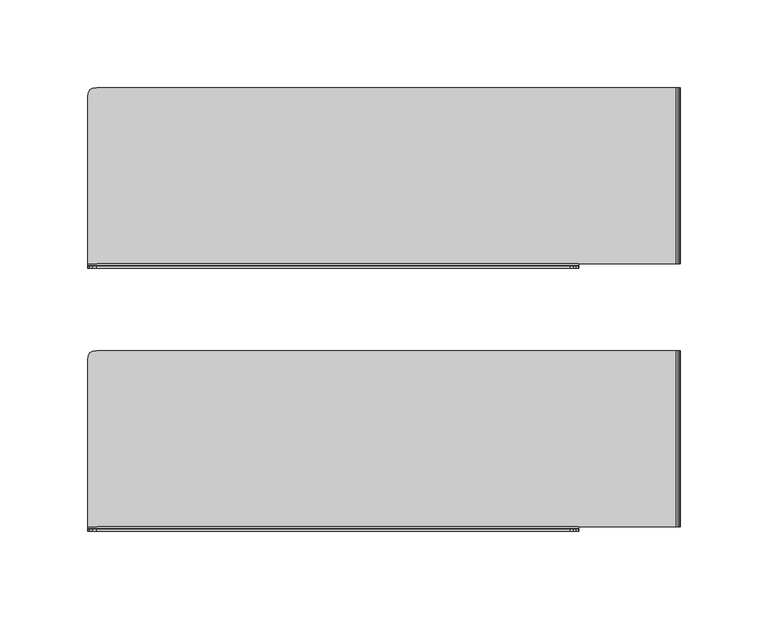
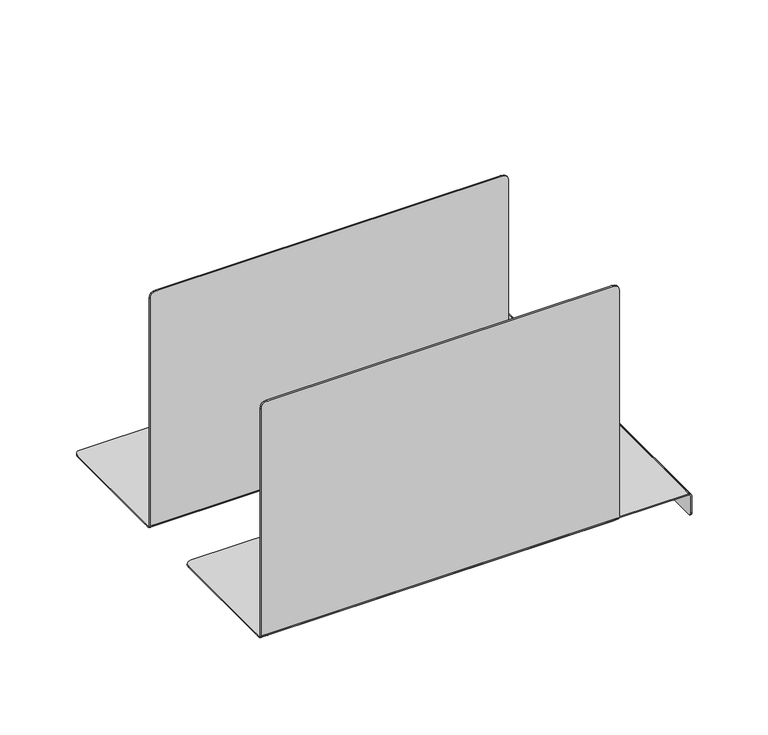
"""IFC4 building model written with IfcOpenShell, lengths in millimetres: furniture geometry."""

from ifc_helpers import new_model, si_unit, origin, place, context, project, spatial, triangles, source, transform, mapped, element, save


def furniture_d3641321(model_context):
    return source(origin(), model_context, "Body", "Tessellation", [
        triangles([(334.8707539, -218.9999988, 711.7688656), (334.86881, -218.9999988, 706.636816), (65.1285701, -218.9999988, 706.636816), (65.1285701, -218.9999988, 711.7688656), (59.9977108, -218.9999988, 706.636816), (59.9977108, -218.9999988, 519.2627017), (59.9977108, -219.9990222, 519.2688787), (59.9977108, -219.9990222, 706.636816), (65.1285701, -219.9990222, 711.7688656), (334.8707539, -219.9990222, 711.7688656), (65.1285701, -219.9990222, 519.2688787), (65.1285701, -219.9990222, 706.636816), (59.9977108, -217.6005847, 516.7688859), (65.1285701, -217.6005847, 516.7688859), (65.1285701, -218.7373035, 517.0971907), (59.9977108, -218.7373035, 517.0971907), (340.001618, -217.6005847, 516.7688859), (340.001618, -217.604491, 517.7697514), (340.001618, -218.307616, 518.0045481), (340.001618, -218.7373035, 517.0971907), (334.86881, -217.6005847, 516.7688859), (334.86881, -214.6367173, 516.7688859), (340.001618, -214.6367173, 516.7688859), (65.1285701, -217.604491, 517.7697332), (65.1285701, -214.6367173, 517.7697332), (59.9977108, -214.6367173, 517.7697332), (59.9977108, -217.604491, 517.7697332), (59.9977108, -214.6367173, 516.7688859), (395.4977037, -117.0986308, 517.7696787), (395.4977037, -117.0986308, 516.7688314), (340.001618, -117.0986308, 516.7688496), (340.001618, -117.0986308, 517.7697151), (395.4977037, -122.2255889, 516.7688314), (340.001618, -122.2255889, 516.7688496), (395.4977037, -217.6005847, 516.7688859), (395.4977037, -217.6005847, 517.7697514), (395.4977037, -214.6367173, 517.7697514), (340.001618, -214.6367173, 517.7697514), (397.9976965, -217.6005847, 501.6496416), (397.9976965, -214.6367173, 501.6665919), (397.9976965, -214.6367173, 515.2621283), (397.9976965, -217.6005847, 515.2621283), (397.0953533, -117.0986308, 501.6369062), (397.0953533, -122.2255889, 501.6412301), (397.0953533, -122.2255889, 515.2758629), (397.0953533, -117.0986308, 515.2758629), (62.8844295, -218.9999988, 711.4481258), (62.8844295, -219.9990222, 711.4481258), (340.001618, -218.9999988, 706.636816), (339.6813069, -218.9999988, 708.8820857), (339.6813069, -219.9990222, 708.8820857), (340.001618, -219.9990222, 706.636816), (61.2809139, -218.9999988, 710.4858455), (61.2809139, -219.9990222, 710.4858455), (60.318023, -218.9999988, 708.8820857), (60.318023, -219.9990222, 708.8820857), (338.7184115, -218.9999988, 710.4858455), (338.7184115, -219.9990222, 710.4858455), (337.1148938, -218.9999988, 711.4481258), (337.1148938, -219.9990222, 711.4481258), (65.1285701, -218.9999988, 519.2627017), (334.86881, -219.9990222, 519.2688787), (334.86881, -219.9990222, 706.636816), (65.1285701, -117.0986308, 517.7697151), (334.86881, -117.0986308, 517.7697151), (334.86881, -117.0986308, 516.7688496), (65.1285701, -117.0986308, 516.7688496), (334.86881, -218.7373035, 517.0971907), (65.1285701, -122.2255889, 516.7688496), (61.2809139, -118.3808563, 516.7688496), (62.8844295, -117.419923, 516.7688496), (65.1285701, -122.2255889, 517.7697151), (334.86881, -122.2255889, 517.7697151), (334.86881, -218.9999988, 519.2627017), (334.86881, -122.2255889, 516.7688496), (340.001618, -219.9990222, 519.2688787), (340.001618, -122.2255889, 517.7697151), (340.001618, -218.9999988, 519.2627017), (62.8844295, -117.419923, 517.7697151), (61.2809139, -118.3808563, 517.7696969), (60.318023, -119.982421, 516.7688496), (60.318023, -119.982421, 517.7696969), (59.9977108, -122.2255889, 516.7688496), (59.9977108, -122.2255889, 517.7696969), (395.4977037, -212.3740222, 516.7688859), (340.001618, -212.3740222, 516.7688859), (395.4977037, -122.2255889, 517.7696969), (397.9976965, -122.2255889, 501.6343446), (397.9976965, -117.0986308, 501.6334907), (397.9976965, -117.0986308, 515.262092), (397.9976965, -122.2255889, 515.262092), (397.0953533, -212.3740222, 501.6734774), (397.0953533, -212.3740222, 515.2759174), (65.1285701, -212.3740222, 516.7688859), (59.9977108, -212.3740222, 516.7688859), (65.1285701, -212.3740222, 517.7697332), (334.86881, -212.3740222, 517.7697514), (334.86881, -212.3740222, 516.7688859), (340.001618, -212.3740222, 517.7697514), (59.9977108, -212.3740222, 517.7697332), (395.4977037, -212.3740222, 517.7697514), (397.9976965, -212.3740222, 501.6665919), (397.9976965, -212.3740222, 515.2621283), (395.4977037, -214.6367173, 516.7688859), (397.0953533, -214.6367173, 501.6734774), (397.0953533, -214.6367173, 515.2759174), (65.1285701, -214.6367173, 516.7688859), (334.86881, -214.6367173, 517.7697514), (65.1285701, -219.6503894, 517.9948467), (59.9977108, -219.6503894, 517.9948467), (334.86881, -219.6503894, 517.9948467), (340.001618, -219.6503894, 517.9948467), (334.86881, -217.604491, 517.7697514), (334.86881, -218.307616, 518.0045481), (59.9977108, -218.307616, 518.00453), (65.1285701, -218.307616, 518.00453), (334.86881, -218.7646473, 518.4617513), (340.001618, -218.7646473, 518.4617695), (59.9977108, -218.7646473, 518.4617513), (65.1285701, -218.7646473, 518.4617513), (396.8375565, -122.2255889, 516.0340107), (396.8375565, -117.0986308, 516.0340107), (396.8375565, -212.3740222, 516.0340834), (396.8375565, -214.6367173, 516.0340834), (396.2848286, -122.2255889, 516.5421556), (396.2848286, -117.0986308, 516.5421374), (396.2848286, -212.3740222, 516.5422101), (396.2848286, -214.6367173, 516.5422101), (397.593397, -214.6367173, 516.500661), (397.593397, -217.6005847, 516.500661), (397.593397, -117.0986308, 516.5005883), (397.593397, -122.2255889, 516.5006065), (397.593397, -212.3740222, 516.500661), (396.7613984, -214.6367173, 517.3360933), (396.7613984, -217.6005847, 517.3360933), (396.7613984, -117.0986308, 517.3360206), (396.7613984, -122.2255889, 517.3360388), (396.7613984, -212.3740222, 517.3360933), (396.2848286, -217.6005847, 516.5422101), (396.8375565, -217.6005847, 516.0340834), (397.0953533, -217.6005847, 515.2759174), (397.0953533, -217.6005847, 501.6530934), (397.0953533, -122.2255889, 498.6688279), (397.0953533, -120.0625033, 498.6688097), (397.9976965, -120.0625033, 498.6688279), (397.9976965, -122.2255889, 498.6688279), (397.0953533, -212.3740222, 498.6689006), (397.9976965, -212.3740222, 498.6689006), (397.9976965, -214.6367173, 498.6689006), (397.0953533, -214.6367173, 498.6689006), (397.9976965, -117.2841754, 500.3378939), (397.0953533, -117.2841754, 500.3378757), (397.0953533, -217.4150378, 500.3379848), (397.9976965, -217.4150378, 500.3379848), (397.9976965, -117.8398465, 499.4106249), (397.0953533, -117.8398465, 499.4106249), (397.9976965, -118.7665977, 498.8542635), (397.0953533, -118.7665977, 498.8542635), (397.0953533, -216.8593739, 499.4107158), (397.9976965, -216.8593739, 499.4107158), (397.0953533, -215.9335927, 498.8543544), (397.9976965, -215.9335927, 498.8543544)], [[1, 2, 3], [1, 3, 4], [5, 6, 7], [5, 7, 8], [1, 4, 9], [1, 9, 10], [7, 11, 12], [7, 12, 8], [13, 14, 15], [13, 15, 16], [17, 18, 19], [17, 19, 20], [21, 22, 23], [21, 23, 17], [24, 25, 26], [24, 26, 27], [27, 26, 28], [27, 28, 13], [29, 30, 31], [29, 31, 32], [30, 33, 34], [30, 34, 31], [35, 36, 18], [35, 18, 17], [36, 37, 38], [36, 38, 18], [39, 40, 41], [39, 41, 42], [43, 44, 45], [43, 45, 46], [4, 47, 48], [4, 48, 9], [49, 50, 51], [49, 51, 52], [47, 53, 48], [53, 54, 48], [53, 55, 54], [55, 56, 54], [55, 5, 56], [5, 8, 56], [50, 57, 58], [50, 58, 51], [57, 59, 60], [57, 60, 58], [59, 1, 10], [59, 10, 60], [3, 61, 6], [3, 6, 5], [12, 54, 56], [12, 56, 8], [11, 62, 63], [11, 63, 12], [64, 65, 66], [64, 66, 67], [14, 21, 68], [14, 68, 15], [69, 70, 71], [69, 71, 67], [72, 73, 65], [72, 65, 64], [3, 2, 74], [3, 74, 61], [75, 69, 67], [75, 67, 66], [62, 76, 52], [62, 52, 63], [65, 32, 31], [65, 31, 66], [21, 17, 20], [21, 20, 68], [73, 77, 32], [73, 32, 65], [2, 49, 78], [2, 78, 74], [1, 59, 57], [1, 57, 2], [63, 58, 60], [63, 60, 10], [3, 53, 47], [3, 47, 4], [12, 63, 10], [12, 10, 9], [12, 9, 48], [12, 48, 54], [3, 5, 55], [3, 55, 53], [57, 50, 49], [57, 49, 2], [63, 52, 51], [63, 51, 58], [67, 71, 79], [67, 79, 64], [71, 70, 80], [71, 80, 79], [70, 81, 82], [70, 82, 80], [81, 83, 84], [81, 84, 82], [75, 66, 31], [75, 31, 34], [72, 80, 82], [72, 82, 84], [33, 85, 86], [33, 86, 34], [87, 29, 32], [87, 32, 77], [88, 89, 90], [88, 90, 91], [44, 92, 93], [44, 93, 45], [69, 94, 95], [69, 95, 83], [72, 96, 97], [72, 97, 73], [75, 98, 94], [75, 94, 69], [73, 97, 99], [73, 99, 77], [69, 83, 81], [69, 81, 70], [72, 64, 79], [72, 79, 80], [98, 75, 34], [98, 34, 86], [96, 72, 84], [96, 84, 100], [100, 84, 83], [100, 83, 95], [101, 87, 77], [101, 77, 99], [102, 88, 91], [102, 91, 103], [85, 104, 23], [85, 23, 86], [92, 105, 106], [92, 106, 93], [94, 107, 28], [94, 28, 95], [96, 25, 108], [96, 108, 97], [98, 22, 107], [98, 107, 94], [97, 108, 38], [97, 38, 99], [15, 109, 110], [15, 110, 16], [109, 11, 7], [109, 7, 110], [68, 111, 109], [68, 109, 15], [111, 62, 11], [111, 11, 109], [20, 112, 111], [20, 111, 68], [112, 76, 62], [112, 62, 111], [113, 114, 18], [114, 19, 18], [27, 115, 116], [27, 116, 24], [24, 116, 114], [24, 114, 113], [114, 117, 19], [117, 118, 19], [117, 74, 118], [74, 78, 118], [115, 119, 120], [115, 120, 116], [119, 6, 61], [119, 61, 120], [116, 120, 117], [116, 117, 114], [120, 61, 74], [120, 74, 117], [119, 115, 16], [119, 16, 110], [118, 78, 112], [78, 76, 112], [19, 118, 112], [19, 112, 20], [115, 27, 13], [115, 13, 16], [6, 119, 110], [6, 110, 7], [78, 49, 52], [78, 52, 76], [45, 121, 46], [121, 122, 46], [93, 123, 121], [93, 121, 45], [106, 124, 93], [124, 123, 93], [121, 125, 122], [125, 126, 122], [125, 33, 126], [33, 30, 126], [123, 127, 125], [123, 125, 121], [127, 85, 33], [127, 33, 125], [124, 128, 123], [128, 127, 123], [128, 104, 127], [104, 85, 127], [41, 129, 130], [41, 130, 42], [90, 131, 132], [90, 132, 91], [91, 132, 133], [91, 133, 103], [129, 134, 135], [129, 135, 130], [134, 37, 36], [134, 36, 135], [131, 136, 137], [131, 137, 132], [136, 29, 87], [136, 87, 137], [132, 137, 138], [132, 138, 133], [137, 87, 101], [137, 101, 138], [136, 131, 122], [136, 122, 126], [139, 140, 130], [139, 130, 135], [29, 136, 126], [29, 126, 30], [35, 139, 135], [35, 135, 36], [131, 90, 122], [90, 46, 122], [140, 141, 42], [140, 42, 130], [90, 89, 46], [89, 43, 46], [141, 142, 39], [141, 39, 42], [143, 144, 145], [143, 145, 146], [147, 143, 146], [147, 146, 148], [149, 150, 148], [150, 147, 148], [89, 151, 43], [151, 152, 43], [142, 153, 154], [142, 154, 39], [151, 155, 152], [155, 156, 152], [155, 157, 156], [157, 158, 156], [157, 145, 144], [157, 144, 158], [153, 159, 160], [153, 160, 154], [159, 161, 162], [159, 162, 160], [161, 150, 149], [161, 149, 162], [22, 98, 86], [22, 86, 23], [25, 96, 100], [25, 100, 26], [26, 100, 95], [26, 95, 28], [37, 101, 38], [101, 99, 38], [40, 102, 41], [102, 103, 41], [104, 35, 17], [104, 17, 23], [105, 142, 141], [105, 141, 106], [107, 14, 13], [107, 13, 28], [25, 24, 113], [25, 113, 108], [22, 21, 14], [22, 14, 107], [108, 113, 18], [108, 18, 38], [106, 141, 140], [106, 140, 124], [124, 140, 139], [124, 139, 128], [128, 139, 35], [128, 35, 104], [41, 103, 129], [103, 133, 129], [129, 133, 134], [133, 138, 134], [134, 138, 37], [138, 101, 37], [39, 154, 160], [39, 160, 40], [43, 152, 156], [43, 156, 44], [88, 155, 151], [88, 151, 89], [44, 143, 147], [44, 147, 92], [102, 148, 146], [102, 146, 88], [92, 147, 150], [92, 150, 105], [40, 149, 148], [40, 148, 102], [105, 159, 153], [105, 153, 142], [160, 162, 149], [160, 149, 40], [105, 150, 161], [105, 161, 159], [156, 158, 144], [156, 144, 44], [88, 145, 157], [88, 157, 155], [144, 143, 44], [88, 146, 145]]),
        triangles([(334.8707539, -69.0000003, 711.7688656), (334.86881, -69.0000003, 706.636816), (65.1285701, -69.0000003, 706.636816), (65.1285701, -69.0000003, 711.7688656), (59.9977108, -69.0000003, 706.636816), (59.9977108, -69.0000003, 519.2627017), (59.9977108, -69.9990237, 519.2688787), (59.9977108, -69.9990237, 706.636816), (65.1285701, -69.9990237, 711.7688656), (334.8707539, -69.9990237, 711.7688656), (65.1285701, -69.9990237, 519.2688787), (65.1285701, -69.9990237, 706.636816), (59.9977108, -67.6005862, 516.7688859), (65.1285701, -67.6005862, 516.7688859), (65.1285701, -68.737305, 517.0971907), (59.9977108, -68.737305, 517.0971907), (340.001618, -67.6005862, 516.7688859), (340.001618, -67.6044925, 517.7697514), (340.001618, -68.3076175, 518.0045481), (340.001618, -68.737305, 517.0971907), (334.86881, -67.6005862, 516.7688859), (334.86881, -64.6367188, 516.7688859), (340.001618, -64.6367188, 516.7688859), (65.1285701, -67.6044925, 517.7697332), (65.1285701, -64.6367188, 517.7697332), (59.9977108, -64.6367188, 517.7697332), (59.9977108, -67.6044925, 517.7697332), (59.9977108, -64.6367188, 516.7688859), (395.4977037, 32.9013677, 517.7696787), (395.4977037, 32.9013677, 516.7688314), (340.001618, 32.9013677, 516.7688496), (340.001618, 32.9013677, 517.7697151), (395.4977037, 27.7744096, 516.7688314), (340.001618, 27.7744096, 516.7688496), (395.4977037, -67.6005862, 516.7688859), (395.4977037, -67.6005862, 517.7697514), (395.4977037, -64.6367188, 517.7697514), (340.001618, -64.6367188, 517.7697514), (397.9976965, -67.6005862, 501.6496416), (397.9976965, -64.6367188, 501.6665919), (397.9976965, -64.6367188, 515.2621283), (397.9976965, -67.6005862, 515.2621283), (397.0953533, 32.9013677, 501.6369062), (397.0953533, 27.7744096, 501.6412301), (397.0953533, 27.7744096, 515.2758629), (397.0953533, 32.9013677, 515.2758629), (62.8844295, -69.0000003, 711.4481258), (62.8844295, -69.9990237, 711.4481258), (340.001618, -69.0000003, 706.636816), (339.6813069, -69.0000003, 708.8820857), (339.6813069, -69.9990237, 708.8820857), (340.001618, -69.9990237, 706.636816), (61.2809139, -69.0000003, 710.4858455), (61.2809139, -69.9990237, 710.4858455), (60.318023, -69.0000003, 708.8820857), (60.318023, -69.9990237, 708.8820857), (338.7184115, -69.0000003, 710.4858455), (338.7184115, -69.9990237, 710.4858455), (337.1148938, -69.0000003, 711.4481258), (337.1148938, -69.9990237, 711.4481258), (65.1285701, -69.0000003, 519.2627017), (334.86881, -69.9990237, 519.2688787), (334.86881, -69.9990237, 706.636816), (65.1285701, 32.9013677, 517.7697151), (334.86881, 32.9013677, 517.7697151), (334.86881, 32.9013677, 516.7688496), (65.1285701, 32.9013677, 516.7688496), (334.86881, -68.737305, 517.0971907), (65.1285701, 27.7744096, 516.7688496), (61.2809139, 31.6191422, 516.7688496), (62.8844295, 32.5800755, 516.7688496), (65.1285701, 27.7744096, 517.7697151), (334.86881, 27.7744096, 517.7697151), (334.86881, -69.0000003, 519.2627017), (334.86881, 27.7744096, 516.7688496), (340.001618, -69.9990237, 519.2688787), (340.001618, 27.7744096, 517.7697151), (340.001618, -69.0000003, 519.2627017), (62.8844295, 32.5800755, 517.7697151), (61.2809139, 31.6191422, 517.7696969), (60.318023, 30.0175775, 516.7688496), (60.318023, 30.0175775, 517.7696969), (59.9977108, 27.7744096, 516.7688496), (59.9977108, 27.7744096, 517.7696969), (395.4977037, -62.3740236, 516.7688859), (340.001618, -62.3740236, 516.7688859), (395.4977037, 27.7744096, 517.7696969), (397.9976965, 27.7744096, 501.6343446), (397.9976965, 32.9013677, 501.6334907), (397.9976965, 32.9013677, 515.262092), (397.9976965, 27.7744096, 515.262092), (397.0953533, -62.3740236, 501.6734774), (397.0953533, -62.3740236, 515.2759174), (65.1285701, -62.3740236, 516.7688859), (59.9977108, -62.3740236, 516.7688859), (65.1285701, -62.3740236, 517.7697332), (334.86881, -62.3740236, 517.7697514), (334.86881, -62.3740236, 516.7688859), (340.001618, -62.3740236, 517.7697514), (59.9977108, -62.3740236, 517.7697332), (395.4977037, -62.3740236, 517.7697514), (397.9976965, -62.3740236, 501.6665919), (397.9976965, -62.3740236, 515.2621283), (395.4977037, -64.6367188, 516.7688859), (397.0953533, -64.6367188, 501.6734774), (397.0953533, -64.6367188, 515.2759174), (65.1285701, -64.6367188, 516.7688859), (334.86881, -64.6367188, 517.7697514), (65.1285701, -69.6503909, 517.9948467), (59.9977108, -69.6503909, 517.9948467), (334.86881, -69.6503909, 517.9948467), (340.001618, -69.6503909, 517.9948467), (334.86881, -67.6044925, 517.7697514), (334.86881, -68.3076175, 518.0045481), (59.9977108, -68.3076175, 518.00453), (65.1285701, -68.3076175, 518.00453), (334.86881, -68.7646488, 518.4617513), (340.001618, -68.7646488, 518.4617695), (59.9977108, -68.7646488, 518.4617513), (65.1285701, -68.7646488, 518.4617513), (396.8375565, 27.7744096, 516.0340107), (396.8375565, 32.9013677, 516.0340107), (396.8375565, -62.3740236, 516.0340834), (396.8375565, -64.6367188, 516.0340834), (396.2848286, 27.7744096, 516.5421556), (396.2848286, 32.9013677, 516.5421374), (396.2848286, -62.3740236, 516.5422101), (396.2848286, -64.6367188, 516.5422101), (397.593397, -64.6367188, 516.500661), (397.593397, -67.6005862, 516.500661), (397.593397, 32.9013677, 516.5005883), (397.593397, 27.7744096, 516.5006065), (397.593397, -62.3740236, 516.500661), (396.7613984, -64.6367188, 517.3360933), (396.7613984, -67.6005862, 517.3360933), (396.7613984, 32.9013677, 517.3360206), (396.7613984, 27.7744096, 517.3360388), (396.7613984, -62.3740236, 517.3360933), (396.2848286, -67.6005862, 516.5422101), (396.8375565, -67.6005862, 516.0340834), (397.0953533, -67.6005862, 515.2759174), (397.0953533, -67.6005862, 501.6530934), (397.0953533, 27.7744096, 498.6688279), (397.0953533, 29.9374952, 498.6688097), (397.9976965, 29.9374952, 498.6688279), (397.9976965, 27.7744096, 498.6688279), (397.0953533, -62.3740236, 498.6689006), (397.9976965, -62.3740236, 498.6689006), (397.9976965, -64.6367188, 498.6689006), (397.0953533, -64.6367188, 498.6689006), (397.9976965, 32.7158231, 500.3378939), (397.0953533, 32.7158231, 500.3378757), (397.0953533, -67.4150393, 500.3379848), (397.9976965, -67.4150393, 500.3379848), (397.9976965, 32.160152, 499.4106249), (397.0953533, 32.160152, 499.4106249), (397.9976965, 31.2334008, 498.8542635), (397.0953533, 31.2334008, 498.8542635), (397.0953533, -66.8593754, 499.4107158), (397.9976965, -66.8593754, 499.4107158), (397.0953533, -65.9335941, 498.8543544), (397.9976965, -65.9335941, 498.8543544)], [[1, 2, 3], [1, 3, 4], [5, 6, 7], [5, 7, 8], [1, 4, 9], [1, 9, 10], [7, 11, 12], [7, 12, 8], [13, 14, 15], [13, 15, 16], [17, 18, 19], [17, 19, 20], [21, 22, 23], [21, 23, 17], [24, 25, 26], [24, 26, 27], [27, 26, 28], [27, 28, 13], [29, 30, 31], [29, 31, 32], [30, 33, 34], [30, 34, 31], [35, 36, 18], [35, 18, 17], [36, 37, 38], [36, 38, 18], [39, 40, 41], [39, 41, 42], [43, 44, 45], [43, 45, 46], [4, 47, 48], [4, 48, 9], [49, 50, 51], [49, 51, 52], [47, 53, 48], [53, 54, 48], [53, 55, 54], [55, 56, 54], [55, 5, 56], [5, 8, 56], [50, 57, 58], [50, 58, 51], [57, 59, 60], [57, 60, 58], [59, 1, 10], [59, 10, 60], [3, 61, 6], [3, 6, 5], [12, 54, 56], [12, 56, 8], [11, 62, 63], [11, 63, 12], [64, 65, 66], [64, 66, 67], [14, 21, 68], [14, 68, 15], [69, 70, 71], [69, 71, 67], [72, 73, 65], [72, 65, 64], [3, 2, 74], [3, 74, 61], [75, 69, 67], [75, 67, 66], [62, 76, 52], [62, 52, 63], [65, 32, 31], [65, 31, 66], [21, 17, 20], [21, 20, 68], [73, 77, 32], [73, 32, 65], [2, 49, 78], [2, 78, 74], [1, 59, 57], [1, 57, 2], [63, 58, 60], [63, 60, 10], [3, 53, 47], [3, 47, 4], [12, 63, 10], [12, 10, 9], [12, 9, 48], [12, 48, 54], [3, 5, 55], [3, 55, 53], [57, 50, 49], [57, 49, 2], [63, 52, 51], [63, 51, 58], [67, 71, 79], [67, 79, 64], [71, 70, 80], [71, 80, 79], [70, 81, 82], [70, 82, 80], [81, 83, 84], [81, 84, 82], [75, 66, 31], [75, 31, 34], [72, 80, 82], [72, 82, 84], [33, 85, 86], [33, 86, 34], [87, 29, 32], [87, 32, 77], [88, 89, 90], [88, 90, 91], [44, 92, 93], [44, 93, 45], [69, 94, 95], [69, 95, 83], [72, 96, 97], [72, 97, 73], [75, 98, 94], [75, 94, 69], [73, 97, 99], [73, 99, 77], [69, 83, 81], [69, 81, 70], [72, 64, 79], [72, 79, 80], [98, 75, 34], [98, 34, 86], [96, 72, 84], [96, 84, 100], [100, 84, 83], [100, 83, 95], [101, 87, 77], [101, 77, 99], [102, 88, 91], [102, 91, 103], [85, 104, 23], [85, 23, 86], [92, 105, 106], [92, 106, 93], [94, 107, 28], [94, 28, 95], [96, 25, 108], [96, 108, 97], [98, 22, 107], [98, 107, 94], [97, 108, 38], [97, 38, 99], [15, 109, 110], [15, 110, 16], [109, 11, 7], [109, 7, 110], [68, 111, 109], [68, 109, 15], [111, 62, 11], [111, 11, 109], [20, 112, 111], [20, 111, 68], [112, 76, 62], [112, 62, 111], [113, 114, 18], [114, 19, 18], [27, 115, 116], [27, 116, 24], [24, 116, 114], [24, 114, 113], [114, 117, 19], [117, 118, 19], [117, 74, 118], [74, 78, 118], [115, 119, 120], [115, 120, 116], [119, 6, 61], [119, 61, 120], [116, 120, 117], [116, 117, 114], [120, 61, 74], [120, 74, 117], [119, 115, 16], [119, 16, 110], [118, 78, 112], [78, 76, 112], [19, 118, 112], [19, 112, 20], [115, 27, 13], [115, 13, 16], [6, 119, 110], [6, 110, 7], [78, 49, 52], [78, 52, 76], [45, 121, 46], [121, 122, 46], [93, 123, 121], [93, 121, 45], [106, 124, 93], [124, 123, 93], [121, 125, 122], [125, 126, 122], [125, 33, 126], [33, 30, 126], [123, 127, 125], [123, 125, 121], [127, 85, 33], [127, 33, 125], [124, 128, 123], [128, 127, 123], [128, 104, 127], [104, 85, 127], [41, 129, 130], [41, 130, 42], [90, 131, 132], [90, 132, 91], [91, 132, 133], [91, 133, 103], [129, 134, 135], [129, 135, 130], [134, 37, 36], [134, 36, 135], [131, 136, 137], [131, 137, 132], [136, 29, 87], [136, 87, 137], [132, 137, 138], [132, 138, 133], [137, 87, 101], [137, 101, 138], [136, 131, 122], [136, 122, 126], [139, 140, 130], [139, 130, 135], [29, 136, 126], [29, 126, 30], [35, 139, 135], [35, 135, 36], [131, 90, 122], [90, 46, 122], [140, 141, 42], [140, 42, 130], [90, 89, 46], [89, 43, 46], [141, 142, 39], [141, 39, 42], [143, 144, 145], [143, 145, 146], [147, 143, 146], [147, 146, 148], [149, 150, 148], [150, 147, 148], [89, 151, 43], [151, 152, 43], [142, 153, 154], [142, 154, 39], [151, 155, 152], [155, 156, 152], [155, 157, 156], [157, 158, 156], [157, 145, 144], [157, 144, 158], [153, 159, 160], [153, 160, 154], [159, 161, 162], [159, 162, 160], [161, 150, 149], [161, 149, 162], [22, 98, 86], [22, 86, 23], [25, 96, 100], [25, 100, 26], [26, 100, 95], [26, 95, 28], [37, 101, 38], [101, 99, 38], [40, 102, 41], [102, 103, 41], [104, 35, 17], [104, 17, 23], [105, 142, 141], [105, 141, 106], [107, 14, 13], [107, 13, 28], [25, 24, 113], [25, 113, 108], [22, 21, 14], [22, 14, 107], [108, 113, 18], [108, 18, 38], [106, 141, 140], [106, 140, 124], [124, 140, 139], [124, 139, 128], [128, 139, 35], [128, 35, 104], [41, 103, 129], [103, 133, 129], [129, 133, 134], [133, 138, 134], [134, 138, 37], [138, 101, 37], [39, 154, 160], [39, 160, 40], [43, 152, 156], [43, 156, 44], [88, 155, 151], [88, 151, 89], [44, 143, 147], [44, 147, 92], [102, 148, 146], [102, 146, 88], [92, 147, 150], [92, 150, 105], [40, 149, 148], [40, 148, 102], [105, 159, 153], [105, 153, 142], [160, 162, 149], [160, 149, 40], [105, 150, 161], [105, 161, 159], [156, 158, 144], [156, 144, 44], [88, 145, 157], [88, 157, 155], [144, 143, 44], [88, 146, 145]]),
    ])


if __name__ == "__main__":
    model = new_model("IFC4")
    model_context = context("Model", 3, world=origin())
    ifc_project = project(units=[si_unit("LENGTHUNIT", "METRE", prefix="MILLI")], contexts=[model_context])
    site = spatial("IfcSite", under=ifc_project)
    building = spatial("IfcBuilding", under=site)
    placement = place(None, origin())
    furniture_shape = furniture_d3641321(model_context)
    element("IfcFurniture", 1, at=placement, inside=building, context=model_context, shape_type="MappedRepresentation", body=[
        mapped(furniture_shape, transform((0.0, 0.0, 0.0), x_axis=(1.0, 0.0, 0.0), y_axis=(0.0, 1.0, 0.0), z_axis=(0.0, 0.0, 1.0))),
    ])
    save(model, "model.ifc")
